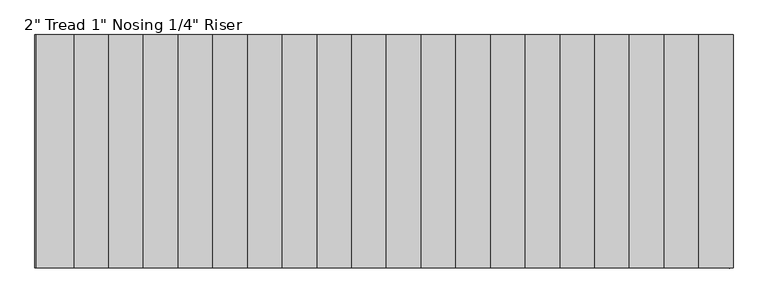
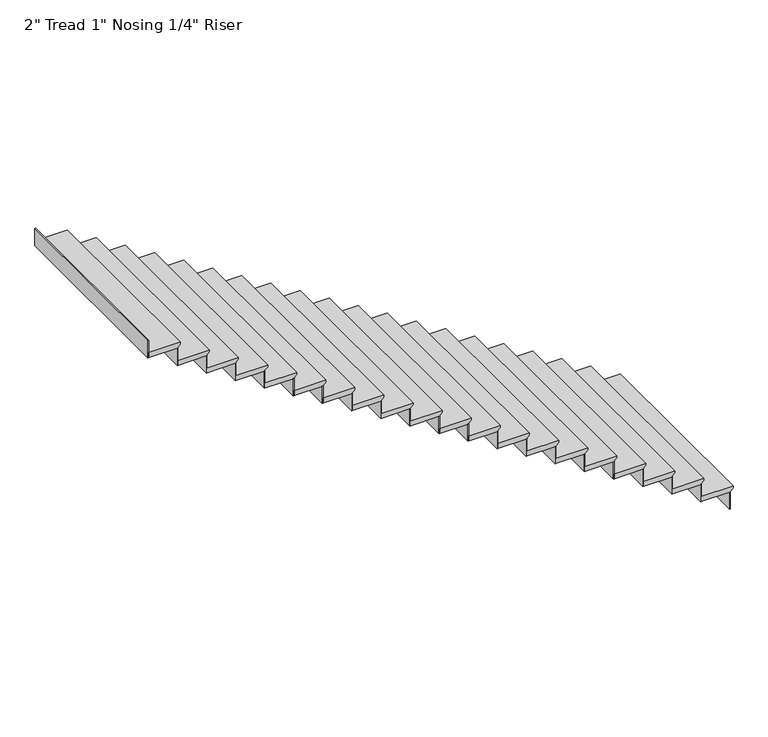
"""IFC4 building model written with IfcOpenShell, lengths in millimetres: stair flight geometry."""

from ifc_helpers import new_model, si_unit, frame, origin, place, context, project, spatial, polyline, outline, extrude, source, transform, mapped, element, save


def stair_flight_210abd46(model_context):
    return source(origin(), model_context, "Body", "SweptSolid", [
        extrude(outline(polyline([(-9590.0487805, 27825.8485809), (-9590.0487805, 27521.0485809), (-9640.8487805, 27521.0485809), (-9640.8487805, 27800.4485809), (-9634.4987805, 27800.4485809), (-9609.0987805, 27825.8485809), (-9590.0487805, 27825.8485809)])), frame((0.0, -18422.4558393, 0.0), z_axis=(0.0, 1.0, 0.0), x_axis=(0.0, 0.0, 1.0)), (0.0, 0.0, 1.0), 1879.6),
        extrude(outline(polyline([(27794.0985809, -16542.8558393), (27800.4485809, -16542.8558393), (27800.4485809, -18422.4558393), (27794.0985809, -18422.4558393), (27794.0985809, -16542.8558393)])), frame((0.0, 0.0, -9815.5512195), z_axis=(0.0, 0.0, 1.0), x_axis=(1.0, 0.0, 0.0)), (0.0, 0.0, 1.0), 174.702439),
        extrude(outline(polyline([(27514.6985809, -16542.8558393), (27521.0485809, -16542.8558393), (27521.0485809, -18422.4558393), (27514.6985809, -18422.4558393), (27514.6985809, -16542.8558393)])), frame((0.0, 0.0, -9640.8487805), z_axis=(0.0, 0.0, 1.0), x_axis=(1.0, 0.0, 0.0)), (0.0, 0.0, 1.0), 174.702439),
        extrude(outline(polyline([(-9415.3463415, 27546.4485809), (-9415.3463415, 27241.6485809), (-9466.1463415, 27241.6485809), (-9466.1463415, 27521.0485809), (-9459.7963415, 27521.0485809), (-9434.3963415, 27546.4485809), (-9415.3463415, 27546.4485809)])), frame((0.0, -18422.4558393, 0.0), z_axis=(0.0, 1.0, 0.0), x_axis=(0.0, 0.0, 1.0)), (0.0, 0.0, 1.0), 1879.6),
        extrude(outline(polyline([(27235.2985809, -16542.8558393), (27241.6485809, -16542.8558393), (27241.6485809, -18422.4558393), (27235.2985809, -18422.4558393), (27235.2985809, -16542.8558393)])), frame((0.0, 0.0, -9466.1463415), z_axis=(0.0, 0.0, 1.0), x_axis=(1.0, 0.0, 0.0)), (0.0, 0.0, 1.0), 174.702439),
        extrude(outline(polyline([(-9240.6439024, 27267.0485809), (-9240.6439024, 26962.2485809), (-9291.4439024, 26962.2485809), (-9291.4439024, 27241.6485809), (-9285.0939024, 27241.6485809), (-9259.6939024, 27267.0485809), (-9240.6439024, 27267.0485809)])), frame((0.0, -18422.4558393, 0.0), z_axis=(0.0, 1.0, 0.0), x_axis=(0.0, 0.0, 1.0)), (0.0, 0.0, 1.0), 1879.6),
        extrude(outline(polyline([(26955.8985809, -16542.8558393), (26962.2485809, -16542.8558393), (26962.2485809, -18422.4558393), (26955.8985809, -18422.4558393), (26955.8985809, -16542.8558393)])), frame((0.0, 0.0, -9291.4439024), z_axis=(0.0, 0.0, 1.0), x_axis=(1.0, 0.0, 0.0)), (0.0, 0.0, 1.0), 174.702439),
        extrude(outline(polyline([(-9065.9414634, 26987.6485809), (-9065.9414634, 26682.8485809), (-9116.7414634, 26682.8485809), (-9116.7414634, 26962.2485809), (-9110.3914634, 26962.2485809), (-9084.9914634, 26987.6485809), (-9065.9414634, 26987.6485809)])), frame((0.0, -18422.4558393, 0.0), z_axis=(0.0, 1.0, 0.0), x_axis=(0.0, 0.0, 1.0)), (0.0, 0.0, 1.0), 1879.6),
        extrude(outline(polyline([(26676.4985809, -16542.8558393), (26682.8485809, -16542.8558393), (26682.8485809, -18422.4558393), (26676.4985809, -18422.4558393), (26676.4985809, -16542.8558393)])), frame((0.0, 0.0, -9116.7414634), z_axis=(0.0, 0.0, 1.0), x_axis=(1.0, 0.0, 0.0)), (0.0, 0.0, 1.0), 174.702439),
        extrude(outline(polyline([(-8891.2390244, 26708.2485809), (-8891.2390244, 26403.4485809), (-8942.0390244, 26403.4485809), (-8942.0390244, 26682.8485809), (-8935.6890244, 26682.8485809), (-8910.2890244, 26708.2485809), (-8891.2390244, 26708.2485809)])), frame((0.0, -18422.4558393, 0.0), z_axis=(0.0, 1.0, 0.0), x_axis=(0.0, 0.0, 1.0)), (0.0, 0.0, 1.0), 1879.6),
        extrude(outline(polyline([(26397.0985809, -16542.8558393), (26403.4485809, -16542.8558393), (26403.4485809, -18422.4558393), (26397.0985809, -18422.4558393), (26397.0985809, -16542.8558393)])), frame((0.0, 0.0, -8942.0390244), z_axis=(0.0, 0.0, 1.0), x_axis=(1.0, 0.0, 0.0)), (0.0, 0.0, 1.0), 174.702439),
        extrude(outline(polyline([(-8716.5365854, 26428.8485809), (-8716.5365854, 26124.0485809), (-8767.3365854, 26124.0485809), (-8767.3365854, 26403.4485809), (-8760.9865854, 26403.4485809), (-8735.5865854, 26428.8485809), (-8716.5365854, 26428.8485809)])), frame((0.0, -18422.4558393, 0.0), z_axis=(0.0, 1.0, 0.0), x_axis=(0.0, 0.0, 1.0)), (0.0, 0.0, 1.0), 1879.6),
        extrude(outline(polyline([(26117.6985809, -16542.8558393), (26124.0485809, -16542.8558393), (26124.0485809, -18422.4558393), (26117.6985809, -18422.4558393), (26117.6985809, -16542.8558393)])), frame((0.0, 0.0, -8767.3365854), z_axis=(0.0, 0.0, 1.0), x_axis=(1.0, 0.0, 0.0)), (0.0, 0.0, 1.0), 174.702439),
        extrude(outline(polyline([(-8541.8341463, 26149.4485809), (-8541.8341463, 25844.6485809), (-8592.6341463, 25844.6485809), (-8592.6341463, 26124.0485809), (-8586.2841463, 26124.0485809), (-8560.8841463, 26149.4485809), (-8541.8341463, 26149.4485809)])), frame((0.0, -18422.4558393, 0.0), z_axis=(0.0, 1.0, 0.0), x_axis=(0.0, 0.0, 1.0)), (0.0, 0.0, 1.0), 1879.6),
        extrude(outline(polyline([(25838.2985809, -16542.8558393), (25844.6485809, -16542.8558393), (25844.6485809, -18422.4558393), (25838.2985809, -18422.4558393), (25838.2985809, -16542.8558393)])), frame((0.0, 0.0, -8592.6341463), z_axis=(0.0, 0.0, 1.0), x_axis=(1.0, 0.0, 0.0)), (0.0, 0.0, 1.0), 174.702439),
        extrude(outline(polyline([(-8367.1317073, 25870.0485809), (-8367.1317073, 25565.2485809), (-8417.9317073, 25565.2485809), (-8417.9317073, 25844.6485809), (-8411.5817073, 25844.6485809), (-8386.1817073, 25870.0485809), (-8367.1317073, 25870.0485809)])), frame((0.0, -18422.4558393, 0.0), z_axis=(0.0, 1.0, 0.0), x_axis=(0.0, 0.0, 1.0)), (0.0, 0.0, 1.0), 1879.6),
        extrude(outline(polyline([(25558.8985809, -16542.8558393), (25565.2485809, -16542.8558393), (25565.2485809, -18422.4558393), (25558.8985809, -18422.4558393), (25558.8985809, -16542.8558393)])), frame((0.0, 0.0, -8417.9317073), z_axis=(0.0, 0.0, 1.0), x_axis=(1.0, 0.0, 0.0)), (0.0, 0.0, 1.0), 174.702439),
        extrude(outline(polyline([(-8192.4292683, 25590.6485809), (-8192.4292683, 25285.8485809), (-8243.2292683, 25285.8485809), (-8243.2292683, 25565.2485809), (-8236.8792683, 25565.2485809), (-8211.4792683, 25590.6485809), (-8192.4292683, 25590.6485809)])), frame((0.0, -18422.4558393, 0.0), z_axis=(0.0, 1.0, 0.0), x_axis=(0.0, 0.0, 1.0)), (0.0, 0.0, 1.0), 1879.6),
        extrude(outline(polyline([(25279.4985809, -16542.8558393), (25285.8485809, -16542.8558393), (25285.8485809, -18422.4558393), (25279.4985809, -18422.4558393), (25279.4985809, -16542.8558393)])), frame((0.0, 0.0, -8243.2292683), z_axis=(0.0, 0.0, 1.0), x_axis=(1.0, 0.0, 0.0)), (0.0, 0.0, 1.0), 174.702439),
        extrude(outline(polyline([(-8017.7268293, 25311.2485809), (-8017.7268293, 25006.4485809), (-8068.5268293, 25006.4485809), (-8068.5268293, 25285.8485809), (-8062.1768293, 25285.8485809), (-8036.7768293, 25311.2485809), (-8017.7268293, 25311.2485809)])), frame((0.0, -18422.4558393, 0.0), z_axis=(0.0, 1.0, 0.0), x_axis=(0.0, 0.0, 1.0)), (0.0, 0.0, 1.0), 1879.6),
        extrude(outline(polyline([(25000.0985809, -16542.8558393), (25006.4485809, -16542.8558393), (25006.4485809, -18422.4558393), (25000.0985809, -18422.4558393), (25000.0985809, -16542.8558393)])), frame((0.0, 0.0, -8068.5268293), z_axis=(0.0, 0.0, 1.0), x_axis=(1.0, 0.0, 0.0)), (0.0, 0.0, 1.0), 174.702439),
        extrude(outline(polyline([(-7843.0243902, 25031.8485809), (-7843.0243902, 24727.0485809), (-7893.8243902, 24727.0485809), (-7893.8243902, 25006.4485809), (-7887.4743902, 25006.4485809), (-7862.0743902, 25031.8485809), (-7843.0243902, 25031.8485809)])), frame((0.0, -18422.4558393, 0.0), z_axis=(0.0, 1.0, 0.0), x_axis=(0.0, 0.0, 1.0)), (0.0, 0.0, 1.0), 1879.6),
        extrude(outline(polyline([(24720.6985809, -16542.8558393), (24727.0485809, -16542.8558393), (24727.0485809, -18422.4558393), (24720.6985809, -18422.4558393), (24720.6985809, -16542.8558393)])), frame((0.0, 0.0, -7893.8243902), z_axis=(0.0, 0.0, 1.0), x_axis=(1.0, 0.0, 0.0)), (0.0, 0.0, 1.0), 174.702439),
        extrude(outline(polyline([(-7668.3219512, 24752.4485809), (-7668.3219512, 24447.6485809), (-7719.1219512, 24447.6485809), (-7719.1219512, 24727.0485809), (-7712.7719512, 24727.0485809), (-7687.3719512, 24752.4485809), (-7668.3219512, 24752.4485809)])), frame((0.0, -18422.4558393, 0.0), z_axis=(0.0, 1.0, 0.0), x_axis=(0.0, 0.0, 1.0)), (0.0, 0.0, 1.0), 1879.6),
        extrude(outline(polyline([(24441.2985809, -16542.8558393), (24447.6485809, -16542.8558393), (24447.6485809, -18422.4558393), (24441.2985809, -18422.4558393), (24441.2985809, -16542.8558393)])), frame((0.0, 0.0, -7719.1219512), z_axis=(0.0, 0.0, 1.0), x_axis=(1.0, 0.0, 0.0)), (0.0, 0.0, 1.0), 174.702439),
        extrude(outline(polyline([(-7493.6195122, 24473.0485809), (-7493.6195122, 24168.2485809), (-7544.4195122, 24168.2485809), (-7544.4195122, 24447.6485809), (-7538.0695122, 24447.6485809), (-7512.6695122, 24473.0485809), (-7493.6195122, 24473.0485809)])), frame((0.0, -18422.4558393, 0.0), z_axis=(0.0, 1.0, 0.0), x_axis=(0.0, 0.0, 1.0)), (0.0, 0.0, 1.0), 1879.6),
        extrude(outline(polyline([(24161.8985809, -16542.8558393), (24168.2485809, -16542.8558393), (24168.2485809, -18422.4558393), (24161.8985809, -18422.4558393), (24161.8985809, -16542.8558393)])), frame((0.0, 0.0, -7544.4195122), z_axis=(0.0, 0.0, 1.0), x_axis=(1.0, 0.0, 0.0)), (0.0, 0.0, 1.0), 174.702439),
        extrude(outline(polyline([(-7318.9170732, 24193.6485809), (-7318.9170732, 23888.8485809), (-7369.7170732, 23888.8485809), (-7369.7170732, 24168.2485809), (-7363.3670732, 24168.2485809), (-7337.9670732, 24193.6485809), (-7318.9170732, 24193.6485809)])), frame((0.0, -18422.4558393, 0.0), z_axis=(0.0, 1.0, 0.0), x_axis=(0.0, 0.0, 1.0)), (0.0, 0.0, 1.0), 1879.6),
        extrude(outline(polyline([(23882.4985809, -16542.8558393), (23888.8485809, -16542.8558393), (23888.8485809, -18422.4558393), (23882.4985809, -18422.4558393), (23882.4985809, -16542.8558393)])), frame((0.0, 0.0, -7369.7170732), z_axis=(0.0, 0.0, 1.0), x_axis=(1.0, 0.0, 0.0)), (0.0, 0.0, 1.0), 174.702439),
        extrude(outline(polyline([(-7144.2146341, 23914.2485809), (-7144.2146341, 23609.4485809), (-7195.0146341, 23609.4485809), (-7195.0146341, 23888.8485809), (-7188.6646341, 23888.8485809), (-7163.2646341, 23914.2485809), (-7144.2146341, 23914.2485809)])), frame((0.0, -18422.4558393, 0.0), z_axis=(0.0, 1.0, 0.0), x_axis=(0.0, 0.0, 1.0)), (0.0, 0.0, 1.0), 1879.6),
        extrude(outline(polyline([(23603.0985809, -16542.8558393), (23609.4485809, -16542.8558393), (23609.4485809, -18422.4558393), (23603.0985809, -18422.4558393), (23603.0985809, -16542.8558393)])), frame((0.0, 0.0, -7195.0146341), z_axis=(0.0, 0.0, 1.0), x_axis=(1.0, 0.0, 0.0)), (0.0, 0.0, 1.0), 174.702439),
        extrude(outline(polyline([(-6969.5121951, 23634.8485809), (-6969.5121951, 23330.0485809), (-7020.3121951, 23330.0485809), (-7020.3121951, 23609.4485809), (-7013.9621951, 23609.4485809), (-6988.5621951, 23634.8485809), (-6969.5121951, 23634.8485809)])), frame((0.0, -18422.4558393, 0.0), z_axis=(0.0, 1.0, 0.0), x_axis=(0.0, 0.0, 1.0)), (0.0, 0.0, 1.0), 1879.6),
        extrude(outline(polyline([(23323.6985809, -16542.8558393), (23330.0485809, -16542.8558393), (23330.0485809, -18422.4558393), (23323.6985809, -18422.4558393), (23323.6985809, -16542.8558393)])), frame((0.0, 0.0, -7020.3121951), z_axis=(0.0, 0.0, 1.0), x_axis=(1.0, 0.0, 0.0)), (0.0, 0.0, 1.0), 174.702439),
        extrude(outline(polyline([(-6794.8097561, 23355.4485809), (-6794.8097561, 23050.6485809), (-6845.6097561, 23050.6485809), (-6845.6097561, 23330.0485809), (-6839.2597561, 23330.0485809), (-6813.8597561, 23355.4485809), (-6794.8097561, 23355.4485809)])), frame((0.0, -18422.4558393, 0.0), z_axis=(0.0, 1.0, 0.0), x_axis=(0.0, 0.0, 1.0)), (0.0, 0.0, 1.0), 1879.6),
        extrude(outline(polyline([(23044.2985809, -16542.8558393), (23050.6485809, -16542.8558393), (23050.6485809, -18422.4558393), (23044.2985809, -18422.4558393), (23044.2985809, -16542.8558393)])), frame((0.0, 0.0, -6845.6097561), z_axis=(0.0, 0.0, 1.0), x_axis=(1.0, 0.0, 0.0)), (0.0, 0.0, 1.0), 174.702439),
        extrude(outline(polyline([(-6620.1073171, 23076.0485809), (-6620.1073171, 22771.2485809), (-6670.9073171, 22771.2485809), (-6670.9073171, 23050.6485809), (-6664.5573171, 23050.6485809), (-6639.1573171, 23076.0485809), (-6620.1073171, 23076.0485809)])), frame((0.0, -18422.4558393, 0.0), z_axis=(0.0, 1.0, 0.0), x_axis=(0.0, 0.0, 1.0)), (0.0, 0.0, 1.0), 1879.6),
        extrude(outline(polyline([(22764.8985809, -16542.8558393), (22771.2485809, -16542.8558393), (22771.2485809, -18422.4558393), (22764.8985809, -18422.4558393), (22764.8985809, -16542.8558393)])), frame((0.0, 0.0, -6670.9073171), z_axis=(0.0, 0.0, 1.0), x_axis=(1.0, 0.0, 0.0)), (0.0, 0.0, 1.0), 174.702439),
        extrude(outline(polyline([(-6445.404878, 22796.6485809), (-6445.404878, 22491.8485809), (-6496.204878, 22491.8485809), (-6496.204878, 22771.2485809), (-6489.854878, 22771.2485809), (-6464.454878, 22796.6485809), (-6445.404878, 22796.6485809)])), frame((0.0, -18422.4558393, 0.0), z_axis=(0.0, 1.0, 0.0), x_axis=(0.0, 0.0, 1.0)), (0.0, 0.0, 1.0), 1879.6),
        extrude(outline(polyline([(22485.4985809, -16542.8558393), (22491.8485809, -16542.8558393), (22491.8485809, -18422.4558393), (22485.4985809, -18422.4558393), (22485.4985809, -16542.8558393)])), frame((0.0, 0.0, -6496.204878), z_axis=(0.0, 0.0, 1.0), x_axis=(1.0, 0.0, 0.0)), (0.0, 0.0, 1.0), 174.702439),
        extrude(outline(polyline([(22206.0985809, -16542.8558393), (22212.4485809, -16542.8558393), (22212.4485809, -18422.4558393), (22206.0985809, -18422.4558393), (22206.0985809, -16542.8558393)])), frame((0.0, 0.0, -6321.502439), z_axis=(0.0, 0.0, 1.0), x_axis=(1.0, 0.0, 0.0)), (0.0, 0.0, 1.0), 174.702439),
        extrude(outline(polyline([(-6270.702439, 22517.2485809), (-6270.702439, 22212.4485809), (-6321.502439, 22212.4485809), (-6321.502439, 22491.8485809), (-6315.152439, 22491.8485809), (-6289.752439, 22517.2485809), (-6270.702439, 22517.2485809)])), frame((0.0, -18422.4558393, 0.0), z_axis=(0.0, 1.0, 0.0), x_axis=(0.0, 0.0, 1.0)), (0.0, 0.0, 1.0), 1879.6),
    ])


if __name__ == "__main__":
    model = new_model("IFC4")
    model_context = context("Model", 3, world=origin())
    ifc_project = project(units=[si_unit("LENGTHUNIT", "METRE", prefix="MILLI")], contexts=[model_context])
    site = spatial("IfcSite", under=ifc_project)
    building = spatial("IfcBuilding", under=site)
    placement = place(None, origin())
    stair_flight_shape = stair_flight_210abd46(model_context)
    element("IfcStairFlight", 1, ObjectType="2\" Tread 1\" Nosing 1/4\" Riser", at=placement, inside=building, context=model_context, shape_type="MappedRepresentation", body=[
        mapped(stair_flight_shape, transform((0.0, 0.0, 0.0), x_axis=(1.0, 0.0, 0.0), y_axis=(0.0, 1.0, 0.0), z_axis=(0.0, 0.0, 1.0))),
    ])
    save(model, "model.ifc")
